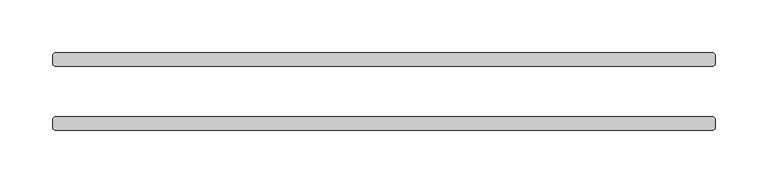
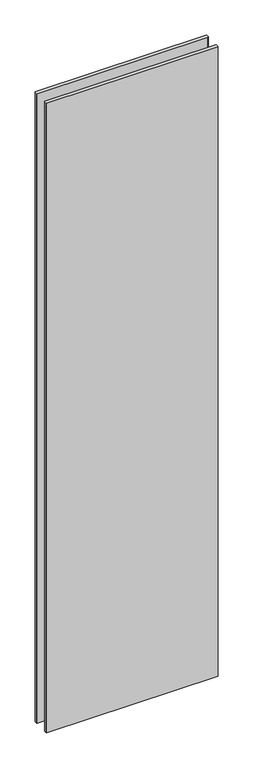
"""IFC4 building model written with IfcOpenShell, lengths in millimetres: plate geometry."""

from ifc_helpers import new_model, si_unit, origin, origin_with_axes, place, context, project, spatial, polyline, outline, extrude, source, transform, mapped, element, save


def plate_5cc98f69(model_context):
    return source(origin(), model_context, "Body", "SweptSolid", [
        extrude(outline(polyline([(310.753125, 23.8125), (-310.753125, 23.8125), (-312.340625, 25.4), (-312.340625, 34.925), (-310.753125, 36.5125), (310.753125, 36.5125), (312.340625, 34.925), (312.340625, 25.4), (310.753125, 23.8125)])), origin_with_axes(), (0.0, 0.0, 1.0), 2417.7625023),
        extrude(outline(polyline([(310.753125, -36.5125), (-310.753125, -36.5125), (-312.340625, -34.925), (-312.340625, -25.4), (-310.753125, -23.8125), (310.753125, -23.8125), (312.340625, -25.4), (312.340625, -34.925), (310.753125, -36.5125)])), origin_with_axes(), (0.0, 0.0, 1.0), 2417.7625023),
    ])


if __name__ == "__main__":
    model = new_model("IFC4")
    model_context = context("Model", 3, world=origin())
    ifc_project = project(units=[si_unit("LENGTHUNIT", "METRE", prefix="MILLI")], contexts=[model_context])
    site = spatial("IfcSite", under=ifc_project)
    building = spatial("IfcBuilding", under=site)
    placement = place(None, origin())
    plate_shape = plate_5cc98f69(model_context)
    element("IfcPlate", 1, at=placement, inside=building, context=model_context, shape_type="MappedRepresentation", body=[
        mapped(plate_shape, transform((0.0, 0.0, 0.0), x_axis=(1.0, 0.0, 0.0), y_axis=(0.0, 1.0, 0.0), z_axis=(0.0, 0.0, 1.0))),
    ])
    save(model, "model.ifc")
